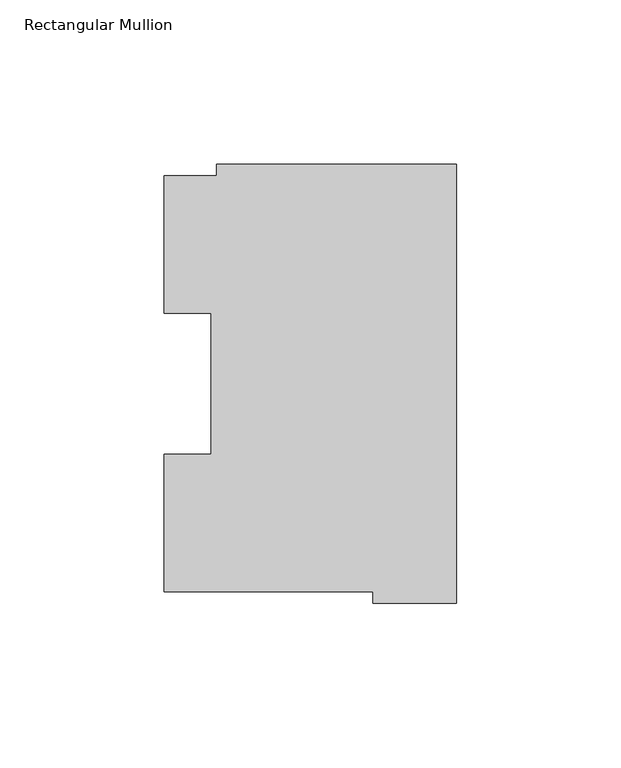
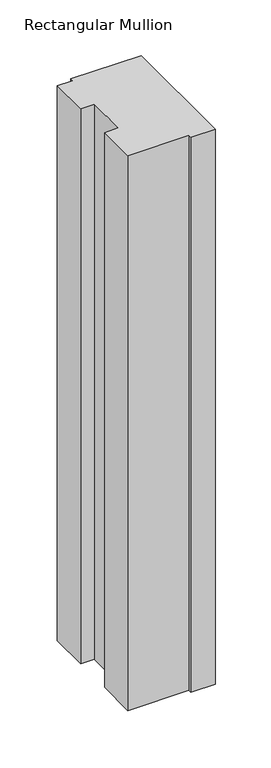
"""IFC4 building model written with IfcOpenShell, lengths in millimetres: member geometry, Rectangular Mullion."""

from ifc_helpers import new_model, si_unit, frame, origin, place, context, project, spatial, polyline, outline, extrude, source, transform, mapped, element, save


def rectangular_mullion_b475ee97(model_context):
    return source(origin(), model_context, "Body", "SweptSolid", [
        extrude(outline(polyline([(-88.8772701, 126.75235), (-73.025, 126.75235), (-73.025, 130.1706837), (0.0, 130.1706837), (0.0, -3.193538), (-25.3772701, -3.193538), (-25.3772701, 0.26035), (-88.8772701, 0.26035), (-88.8772701, 42.0334858), (-74.5947228, 42.0334858), (-74.5947228, 84.93125), (-88.8772701, 84.93125), (-88.8772701, 126.75235)])), frame((0.0, 0.0, -609.6063827), z_axis=(0.0, 0.0, 1.0), x_axis=(1.0, 0.0, 0.0)), (0.0, 0.0, 1.0), 609.6063827),
    ])


if __name__ == "__main__":
    model = new_model("IFC4")
    model_context = context("Model", 3, world=origin())
    ifc_project = project(units=[si_unit("LENGTHUNIT", "METRE", prefix="MILLI")], contexts=[model_context])
    site = spatial("IfcSite", under=ifc_project)
    building = spatial("IfcBuilding", under=site)
    placement = place(None, origin())
    rectangular_mullion_shape = rectangular_mullion_b475ee97(model_context)
    element("IfcMember", 1, ObjectType="Rectangular Mullion", at=placement, inside=building, context=model_context, shape_type="MappedRepresentation", body=[
        mapped(rectangular_mullion_shape, transform((0.0, 0.0, 0.0), x_axis=(1.0, 0.0, 0.0), y_axis=(0.0, 1.0, 0.0), z_axis=(0.0, 0.0, 1.0))),
    ])
    save(model, "model.ifc")
